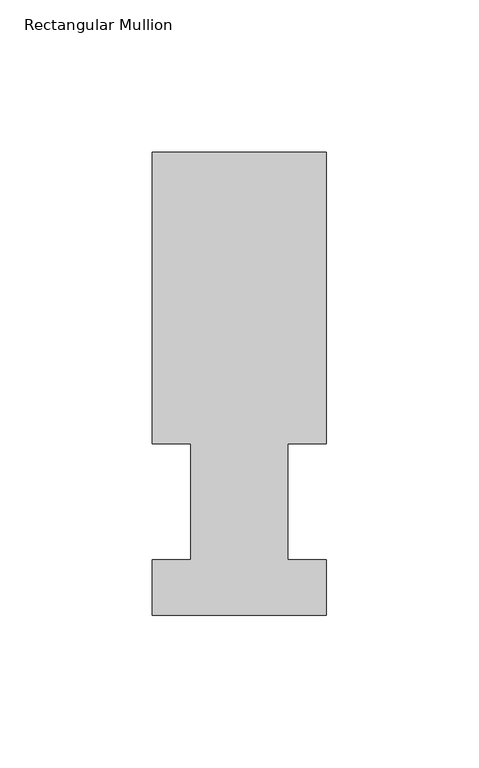
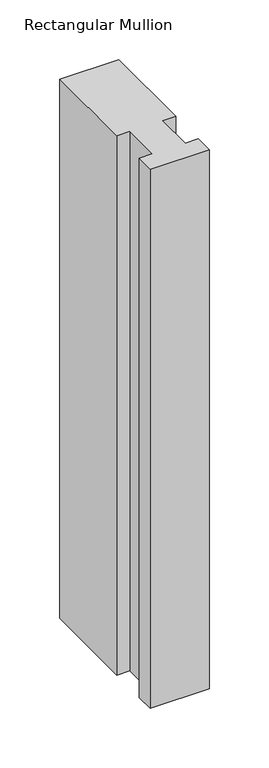
"""IFC4 building model written with IfcOpenShell, lengths in millimetres: member geometry, Rectangular Mullion."""

from ifc_helpers import new_model, si_unit, frame, origin, place, context, project, spatial, polyline, outline, extrude, source, transform, mapped, element, save


def rectangular_mullion_0b783dfc(model_context):
    return source(origin(), model_context, "Body", "SweptSolid", [
        extrude(outline(polyline([(-57.15, 151.98725), (0.0, 151.98725), (0.0, 56.35625), (-12.7, 56.35625), (-12.7, 18.25625), (0.0, 18.25625), (0.0, -0.03175), (-57.15, -0.03175), (-57.15, 18.25625), (-44.45, 18.25625), (-44.45, 56.35625), (-57.15, 56.35625), (-57.15, 151.98725)])), frame((0.0, 0.0, -552.45), z_axis=(0.0, 0.0, 1.0), x_axis=(1.0, 0.0, 0.0)), (0.0, 0.0, 1.0), 552.45),
    ])


if __name__ == "__main__":
    model = new_model("IFC4")
    model_context = context("Model", 3, world=origin())
    ifc_project = project(units=[si_unit("LENGTHUNIT", "METRE", prefix="MILLI")], contexts=[model_context])
    site = spatial("IfcSite", under=ifc_project)
    building = spatial("IfcBuilding", under=site)
    placement = place(None, origin())
    rectangular_mullion_shape = rectangular_mullion_0b783dfc(model_context)
    element("IfcMember", 1, ObjectType="Rectangular Mullion", at=placement, inside=building, context=model_context, shape_type="MappedRepresentation", body=[
        mapped(rectangular_mullion_shape, transform((0.0, 0.0, 0.0), x_axis=(1.0, 0.0, 0.0), y_axis=(0.0, 1.0, 0.0), z_axis=(0.0, 0.0, 1.0))),
    ])
    save(model, "model.ifc")
